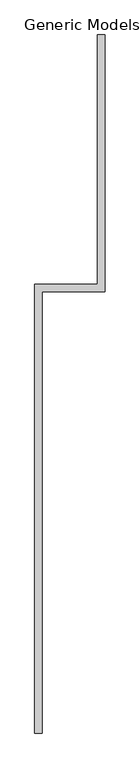
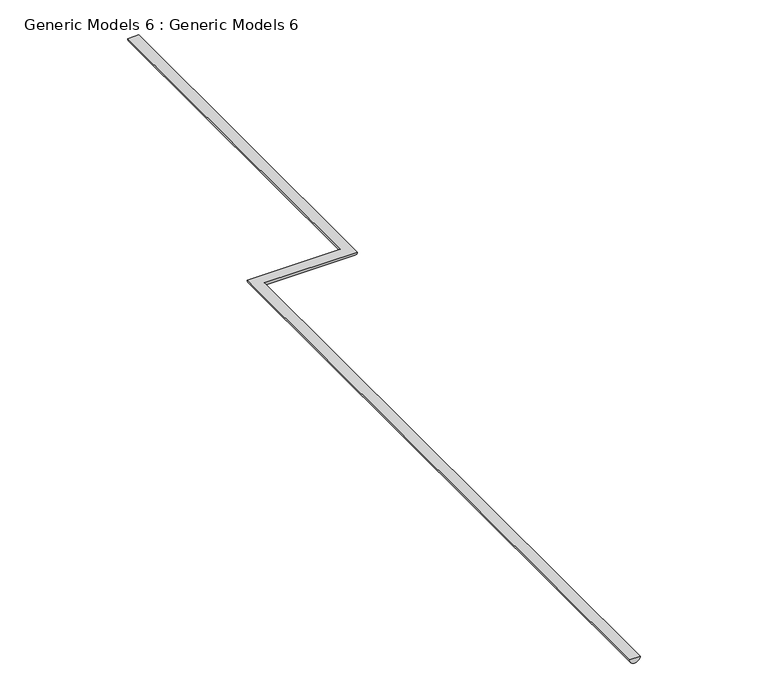
"""IFC4 building model written with IfcOpenShell, lengths in millimetres: proxy geometry, Generic Models 6 : Generic Models 6."""

import ifcopenshell
import ifcopenshell.guid

model = None  # the IFC model being written
_history = None  # IfcOwnerHistory: only IFC2X3 demands one
_inside = {}  # id of a spatial element -> (the spatial element, [elements in it])
_under = {}  # id of a project, library or spatial element -> (it, [spatial elements below it])
_declared = {}  # id of a project -> (the project, [libraries it declares])
_typed = {}  # id of a type object -> (the type object, [elements of that type])
_made_of = {}  # id of a material, layer set ... -> (it, [elements and type objects made of it])


def new_model(schema):
    """Start an empty IFC model of exactly this schema.

    Asked for "IFC4X3", IfcOpenShell would pick the latest addendum, in which some entities
    have other attributes; the version numbers below select the first issue.
    IFC2X3 requires an IfcOwnerHistory on every rooted entity: one is made here for all.
    """
    global model, _history
    if schema == "IFC4X3":
        model = ifcopenshell.file(schema_version=(4, 3, 0, 0))
    else:
        model = ifcopenshell.file(schema=schema)
    _inside.clear()
    _under.clear()
    _declared.clear()
    _typed.clear()
    _made_of.clear()
    _history = None
    if model.schema == "IFC2X3":
        org = make("IfcOrganization", Name="unknown")
        user = make(
            "IfcPersonAndOrganization",
            ThePerson=make("IfcPerson", FamilyName="unknown"),
            TheOrganization=org,
        )
        app = make(
            "IfcApplication",
            ApplicationDeveloper=org,
            Version="unknown",
            ApplicationFullName="unknown",
            ApplicationIdentifier="unknown",
        )
        _history = make(
            "IfcOwnerHistory",
            OwningUser=user,
            OwningApplication=app,
            ChangeAction="ADDED",
            CreationDate=0,
        )
    return model


def make(cls, **values):
    """One entity of the class cls with the attributes given. An attribute that is None is left unset."""
    return model.create_entity(
        cls, **{name: value for name, value in values.items() if value is not None}
    )


def rooted(cls, **values):
    """An entity with a GlobalId (a new one), such as an element, a storey or a relation."""
    return make(cls, GlobalId=ifcopenshell.guid.new(), OwnerHistory=_history, **values)


def si_unit(unit_type, name, prefix=None):
    """IfcSIUnit, for example si_unit("LENGTHUNIT", "METRE", prefix="MILLI")."""
    return make("IfcSIUnit", UnitType=unit_type, Prefix=prefix, Name=name)


def assignment(units):
    """IfcUnitAssignment: the units of a project."""
    return None if units is None else make("IfcUnitAssignment", Units=units)


def point(xyz):
    """IfcCartesianPoint."""
    return None if xyz is None else make("IfcCartesianPoint", Coordinates=xyz)


def direction(xyz):
    """IfcDirection."""
    return None if xyz is None else make("IfcDirection", DirectionRatios=xyz)


def frame(location, z_axis=None, x_axis=None):
    """IfcAxis2Placement3D, a coordinate frame: its origin and axes. An axis left out is left unset."""
    return make(
        "IfcAxis2Placement3D",
        Location=point(location),
        Axis=direction(z_axis),
        RefDirection=direction(x_axis),
    )


def origin():
    """The frame at (0, 0, 0) with its axes left unset."""
    return frame((0.0, 0.0, 0.0))


def place(relative_to, where):
    """IfcLocalPlacement: puts the frame where relative to a parent placement (None: the world)."""
    return make(
        "IfcLocalPlacement", PlacementRelTo=relative_to, RelativePlacement=where
    )


def context(
    kind, dimensions, precision=None, world=None, true_north=None, identifier=None
):
    """IfcGeometricRepresentationContext, for example the 3D "Model" context."""
    return make(
        "IfcGeometricRepresentationContext",
        ContextIdentifier=identifier,
        ContextType=kind,
        CoordinateSpaceDimension=dimensions,
        Precision=precision,
        WorldCoordinateSystem=world,
        TrueNorth=true_north,
    )


def project(units=None, contexts=None):
    """IfcProject with its units and contexts."""
    return rooted(
        "IfcProject",
        Name="project",
        RepresentationContexts=contexts,
        UnitsInContext=assignment(units),
    )


def spatial(cls, under=None, at=None, **own):
    """A site, building, storey or space (cls), placed at a placement, below another one or the project."""
    s = rooted(cls, ObjectPlacement=at, **own)
    if under is not None:
        _under.setdefault(under.id(), (under, []))[1].append(s)
    return s


def circle_curve(where, radius):
    """IfcCircle in the frame where."""
    return make("IfcCircle", Position=where, Radius=radius)


def ellipse_curve(where, semi_axis1, semi_axis2):
    """IfcEllipse in the frame where."""
    return make(
        "IfcEllipse", Position=where, SemiAxis1=semi_axis1, SemiAxis2=semi_axis2
    )


def shape(context_of_items, identifier, shape_type, items):
    """IfcShapeRepresentation: the items that make up one representation, for example the "Body"."""
    return make(
        "IfcShapeRepresentation",
        ContextOfItems=context_of_items,
        RepresentationIdentifier=identifier,
        RepresentationType=shape_type,
        Items=items,
    )


def source(mapping_origin, context_of_items, identifier, shape_type, items):
    """IfcRepresentationMap: a shape defined once, which mapped items show again and again."""
    return make(
        "IfcRepresentationMap",
        MappingOrigin=mapping_origin,
        MappedRepresentation=shape(context_of_items, identifier, shape_type, items),
    )


def transform(
    local_origin,
    x_axis=None,
    y_axis=None,
    z_axis=None,
    scale=None,
    scale2=None,
    scale3=None,
    uniform=True,
):
    """IfcCartesianTransformationOperator3D, or its non-uniform kind. x_axis, y_axis, z_axis: its Axis1, 2, 3."""
    if uniform:
        return make(
            "IfcCartesianTransformationOperator3D",
            Axis1=direction(x_axis),
            Axis2=direction(y_axis),
            LocalOrigin=point(local_origin),
            Scale=scale,
            Axis3=direction(z_axis),
        )
    return make(
        "IfcCartesianTransformationOperator3DnonUniform",
        Axis1=direction(x_axis),
        Axis2=direction(y_axis),
        LocalOrigin=point(local_origin),
        Scale=scale,
        Axis3=direction(z_axis),
        Scale2=scale2,
        Scale3=scale3,
    )


def mapped(mapping_source, mapping_target):
    """IfcMappedItem: shows the shape of a source again, moved by a transform."""
    return make(
        "IfcMappedItem", MappingSource=mapping_source, MappingTarget=mapping_target
    )


def made_of(thing, what):
    """Note that an element or type object is made of a material, layer set ...; save() writes the relation."""
    if what is not None:
        _made_of.setdefault(what.id(), (what, []))[1].append(thing)
    return thing


def element(
    cls,
    number,
    at=None,
    inside=None,
    cuts=None,
    type_object=None,
    material=None,
    context=None,
    identifier="Body",
    shape_type=None,
    held_by="IfcProductDefinitionShape",
    body=None,
    shapes=None,
    **own,
):
    """One element of the class cls, such as IfcWall. Its Tag is "e" and its number.

    at: its placement. inside: the storey or other place that contains it. cuts: it is an
    opening in that element (IfcRelVoidsElement). A single representation is given by context,
    identifier, shape_type and body (its items); several are given by shapes. held_by: the class
    of the entity that holds the representations. save() writes the other relations.
    """
    e = rooted(cls, Tag="e%d" % number, ObjectPlacement=at, **own)
    if body is not None:
        shapes = [shape(context, identifier, shape_type, body)]
    if shapes is not None:
        e.Representation = make(held_by, Representations=shapes)
    if inside is not None:
        _inside.setdefault(inside.id(), (inside, []))[1].append(e)
    if cuts is not None:
        rooted(
            "IfcRelVoidsElement", RelatingBuildingElement=cuts, RelatedOpeningElement=e
        )
    if type_object is not None:
        _typed.setdefault(type_object.id(), (type_object, []))[1].append(e)
    return made_of(e, material)


def aggregate(whole, parts):
    """IfcRelAggregates: a whole, such as a stair, and the parts it consists of."""
    return rooted("IfcRelAggregates", RelatingObject=whole, RelatedObjects=parts)


def save(model, path):
    """Write the relations noted so far, then the file.

    IfcRelAggregates (storeys below a building ...), IfcRelContainedInSpatialStructure (elements
    in a storey), IfcRelDefinesByType, IfcRelAssociatesMaterial and IfcRelDeclares: one each for
    every whole, place, type object, material and project.
    """
    for whole, parts in _under.values():
        aggregate(whole, parts)
    for where, things in _inside.values():
        rooted(
            "IfcRelContainedInSpatialStructure",
            RelatedElements=things,
            RelatingStructure=where,
        )
    for kind, things in _typed.values():
        rooted("IfcRelDefinesByType", RelatedObjects=things, RelatingType=kind)
    for what, things in _made_of.values():
        rooted("IfcRelAssociatesMaterial", RelatedObjects=things, RelatingMaterial=what)
    for by, libraries in _declared.values():
        rooted("IfcRelDeclares", RelatingContext=by, RelatedDefinitions=libraries)
    model.write(path)


def plane_surface(at):
    """IfcPlane: the flat surface through the origin of the frame at, square to its z axis."""
    return make("IfcPlane", Position=at)


def cylinder_surface(at, radius):
    """IfcCylindricalSurface: all points at the distance radius from the z axis of the frame at."""
    return make("IfcCylindricalSurface", Position=at, Radius=radius)


def advanced_brep(points, edges, surfaces, faces):
    """IfcAdvancedBrep: a solid bounded by faces that lie on surfaces and meet in shared edges.

    An edge is (start, end): straight between two places in points (the first is 0);
    or (start, end, curve); or (start, end, curve, False) where it runs against its curve.
    A face is (place in surfaces, loops), or (place, loops, False) where it looks against
    its surface's normal. A loop lists edges by number (the first is 1), with a minus sign
    where the edge is run from its end to its start. The first loop is the outer one.
    """
    corners = [point(p) for p in points]
    vertices = [make("IfcVertexPoint", VertexGeometry=c) for c in corners]
    made = []
    for start, end, *more in edges:
        made.append(
            make(
                "IfcEdgeCurve",
                EdgeStart=vertices[start],
                EdgeEnd=vertices[end],
                EdgeGeometry=more[0] if more else make("IfcPolyline", Points=[corners[start], corners[end]]),
                SameSense=more[1] if len(more) > 1 else True,
            )
        )
    hull = []
    for where, loops, *sense in faces:
        bounds = []
        for j, loop in enumerate(loops):
            ring = [make("IfcOrientedEdge", EdgeElement=made[abs(k) - 1], Orientation=k > 0) for k in loop]
            bounds.append(
                make(
                    "IfcFaceOuterBound" if j == 0 else "IfcFaceBound",
                    Bound=make("IfcEdgeLoop", EdgeList=ring),
                    Orientation=True,
                )
            )
        hull.append(make("IfcAdvancedFace", Bounds=bounds, FaceSurface=surfaces[where], SameSense=sense[0] if sense else True))
    return make("IfcAdvancedBrep", Outer=make("IfcClosedShell", CfsFaces=hull))


def generic_models_6_generic_models_6_b158c2d1(model_context):
    return source(origin(), model_context, "Body", "AdvancedBrep", [
        advanced_brep(
        [(16497.1611361, 901.7226182, 8200.0), (16357.1611361, 901.7226182, 8200.0), (16497.1611361, 9161.7226182, 8200.0), (17677.1611361, 9161.7226182, 8200.0), (17677.1611361, 13967.5047231, 8200.0), (17537.1611361, 13967.5047231, 8200.0), (17537.1611361, 9301.7226182, 8200.0), (16357.1611361, 9301.7226182, 8200.0)],
        [
            (0, 1),
            (1, 0, circle_curve(frame((16427.1611361, 901.7226182, 8200.0), z_axis=(0.0, -1.0, 0.0), x_axis=(1.0, 0.0, 0.0)), 70.0)),
            (0, 2),
            (2, 3),
            (3, 4),
            (4, 5),
            (5, 6),
            (6, 7),
            (7, 1),
            (7, 2, ellipse_curve(frame((16427.1611361, 9231.7226182, 8200.0), z_axis=(-0.7071067811865495, -0.7071067811865457, 0.0), x_axis=(0.7071067811865458, -0.7071067811865492, 0.0)), 98.9949494, 70.0)),
            (6, 3, ellipse_curve(frame((17607.1611361, 9231.7226182, 8200.0), z_axis=(-0.7071067811865492, -0.7071067811865457, 0.0), x_axis=(-0.7071067811865459, 0.7071067811865492, 0.0)), 98.9949494, 70.0)),
            (4, 5, circle_curve(frame((17607.1611361, 13967.5047231, 8200.0), z_axis=(0.0, 1.0, 0.0), x_axis=(1.0, 0.0, 0.0)), 70.0)),
        ],
        [
            plane_surface(frame((16357.1611361, 901.7226182, 11674.5268792), z_axis=(0.0, -1.0, 0.0), x_axis=(0.0, 0.0, 1.0))),
            plane_surface(frame((16497.1611361, 901.7226182, 8200.0), z_axis=(0.0, 0.0, 1.0), x_axis=(0.0, 1.0, 0.0))),
            cylinder_surface(frame((16427.1611361, 901.7226182, 8200.0), z_axis=(0.0, -1.0, 0.0), x_axis=(1.0, 0.0, 0.0)), 70.0),
            cylinder_surface(frame((16357.1611361, 9231.7226182, 8200.0), z_axis=(-1.0, 0.0, 0.0), x_axis=(0.0, -1.0, 0.0)), 70.0),
            plane_surface(frame((17537.1611361, 13967.5047231, 11674.5268792), z_axis=(0.0, 1.0, 0.0), x_axis=(0.0, 0.0, 1.0))),
            cylinder_surface(frame((17607.1611361, 9301.7226182, 8200.0), z_axis=(0.0, -1.0, 0.0), x_axis=(1.0, 0.0, 0.0)), 70.0),
        ],
        [
            (0, [[1, 2]]),
            (1, [[-1, 3, 4, 5, 6, 7, 8, 9]]),
            (2, [[-2, -9, 10, -3]]),
            (3, [[-10, -8, 11, -4]]),
            (4, [[12, -6]]),
            (5, [[-11, -7, -12, -5]]),
        ],
    ),
    ])


if __name__ == "__main__":
    model = new_model("IFC4")
    model_context = context("Model", 3, world=origin())
    ifc_project = project(units=[si_unit("LENGTHUNIT", "METRE", prefix="MILLI")], contexts=[model_context])
    site = spatial("IfcSite", under=ifc_project)
    building = spatial("IfcBuilding", under=site)
    placement = place(None, origin())
    generic_models_6_generic_models_6_shape = generic_models_6_generic_models_6_b158c2d1(model_context)
    element("IfcBuildingElementProxy", 1, Name="Generic Models 6 : Generic Models 6", ObjectType="Generic Models 6 : Generic Models 6", at=placement, inside=building, context=model_context, shape_type="MappedRepresentation", body=[
        mapped(generic_models_6_generic_models_6_shape, transform((0.0, 0.0, 0.0), x_axis=(1.0, 0.0, 0.0), y_axis=(0.0, 1.0, 0.0), z_axis=(0.0, 0.0, 1.0))),
    ])
    save(model, "model.ifc")
